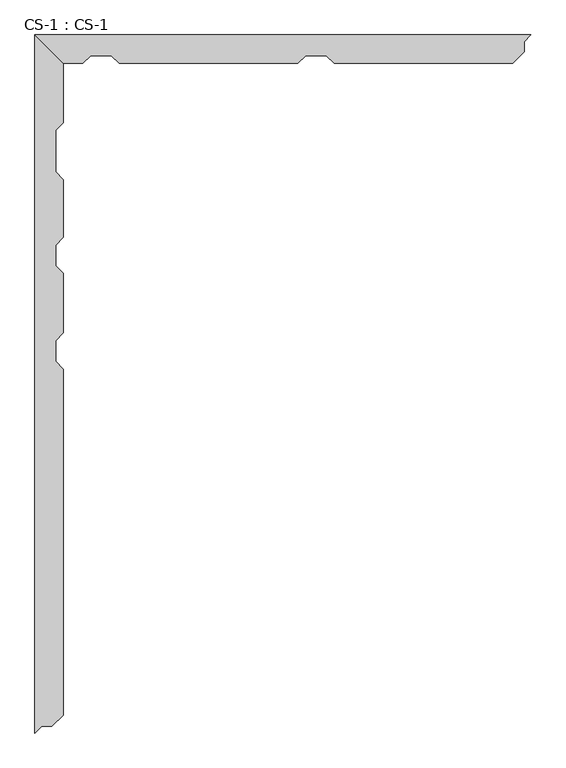
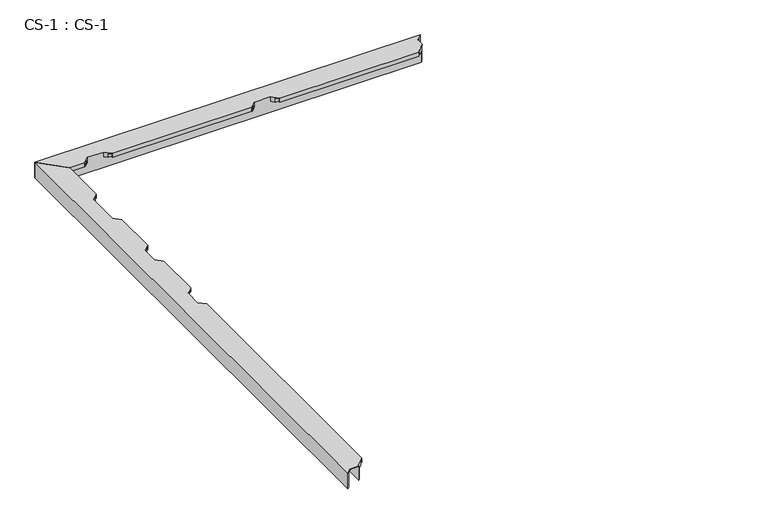
"""IFC4 building model written with IfcOpenShell, lengths in millimetres: proxy geometry, CS-1 : CS-1."""

from ifc_helpers import new_model, si_unit, origin, place, context, project, spatial, faceted_brep, source, transform, mapped, element, save


def cs_1_cs_1_2e0e3b06(model_context):
    return source(origin(), model_context, "Body", "Brep", [
        faceted_brep([(0.0, 2227.58, 0.0), (1582.4191059, 2227.58, 0.0), (1575.4341059, 2220.595, 0.0), (6.985, 2220.595, 0.0), (6.985, 2220.595, 63.5), (1575.4341059, 2220.595, 63.5), (59.055, 2168.525, 63.5), (1560.8291059, 2205.99, 63.5), (1560.8291059, 2174.24, 63.5), (1555.3084937, 2168.525, 63.5), (59.055, 2168.525, 0.0), (1555.3084937, 2168.525, 0.0), (1548.5610787, 2161.54, 0.0), (66.04, 2161.54, 0.0), (66.04, 2161.54, 46.355), (1548.5610787, 2161.54, 46.355), (929.6390043, 2161.54, 46.355), (929.6390043, 2161.54, 66.675), (863.5990043, 2161.54, 66.675), (863.5990043, 2161.54, 46.355), (243.8389027, 2161.54, 46.355), (243.8389027, 2161.54, 66.675), (177.7989027, 2161.54, 66.675), (177.7989027, 2161.54, 46.355), (78.867, 2148.713, 46.355), (164.9719027, 2148.713, 46.355), (1536.1703712, 2148.713, 46.355), (942.4660043, 2148.713, 46.355), (256.6659027, 2148.713, 46.355), (850.7720043, 2148.713, 46.355), (78.867, 2148.713, 63.5), (164.9719027, 2148.713, 63.5), (1536.1703712, 2148.713, 63.5), (942.4660043, 2148.713, 63.5), (256.6659027, 2148.713, 63.5), (850.7720043, 2148.713, 63.5), (89.154, 2138.426, 63.5), (154.6849027, 2138.426, 63.5), (1526.2332692, 2138.426, 63.5), (952.7530043, 2138.426, 63.5), (266.9529027, 2138.426, 63.5), (840.4850043, 2138.426, 63.5), (89.154, 2138.426, 49.8094), (154.6849027, 2138.426, 49.8094), (1526.2332692, 2138.426, 49.8094), (952.7530043, 2138.426, 49.8094), (266.9529027, 2138.426, 49.8094), (840.4850043, 2138.426, 49.8094), (90.678, 2136.902, 49.8094), (153.1609027, 2136.902, 49.8094), (1524.7611059, 2136.902, 49.8094), (954.2770043, 2136.902, 49.8094), (268.4769027, 2136.902, 49.8094), (838.9610043, 2136.902, 49.8094), (90.678, 2136.902, 66.675), (153.1609027, 2136.902, 66.675), (1524.7611059, 2136.902, 66.675), (954.2770043, 2136.902, 66.675), (268.4769027, 2136.902, 66.675), (838.9610043, 2136.902, 66.675), (1582.4191059, 2227.58, 66.675), (0.0, 2227.58, 66.675), (1560.8291059, 2174.24, 66.675), (1560.8291059, 2205.99, 66.675)], [[[0, 1, 2, 3]], [[4, 3, 2, 5]], [[6, 4, 5, 7, 8, 9]], [[10, 6, 9, 11]], [[12, 13, 10, 11]], [[14, 13, 12, 15, 16, 17, 18, 19, 20, 21, 22, 23]], [[24, 14, 23, 25]], [[15, 26, 27, 16]], [[28, 20, 19, 29]], [[30, 24, 25, 31]], [[26, 32, 33, 27]], [[34, 28, 29, 35]], [[36, 30, 31, 37]], [[32, 38, 39, 33]], [[40, 34, 35, 41]], [[42, 36, 37, 43]], [[38, 44, 45, 39]], [[46, 40, 41, 47]], [[48, 42, 43, 49]], [[44, 50, 51, 45]], [[52, 46, 47, 53]], [[54, 48, 49, 55]], [[50, 56, 57, 51]], [[58, 52, 53, 59]], [[60, 61, 54, 55, 22, 21, 58, 59, 18, 17, 57, 56, 62, 63]], [[1, 0, 61, 60]], [[0, 3, 4, 6, 10, 13, 14, 24, 30, 36, 42, 48, 54, 61]], [[7, 63, 62, 8]], [[8, 62, 56, 50, 44, 38, 32, 26, 15, 12, 11, 9]], [[63, 7, 5, 2, 1, 60]], [[21, 20, 28, 34, 40, 46, 52, 58]], [[23, 22, 55, 49, 43, 37, 31, 25]], [[17, 16, 27, 33, 39, 45, 51, 57]], [[19, 18, 59, 53, 47, 41, 35, 29]]]),
        faceted_brep([(0.0, 0.0, 0.0), (0.0, 2227.58, 0.0), (6.985, 2220.595, 0.0), (6.985, 6.985, 0.0), (6.985, 6.985, 63.5), (6.985, 2220.595, 63.5), (21.59, 21.59, 63.5), (59.055, 2168.525, 63.5), (59.055, 27.1106122, 63.5), (53.34, 21.59, 63.5), (59.055, 27.1106122, 0.0), (59.055, 2168.525, 0.0), (66.04, 2161.54, 0.0), (66.04, 33.8580272, 0.0), (66.04, 33.8580272, 46.355), (66.04, 2161.54, 46.355), (66.04, 1922.78, 46.355), (66.04, 1922.78, 66.675), (66.04, 1790.7, 66.675), (66.04, 1790.7, 46.355), (66.04, 1557.02, 46.355), (66.04, 1557.02, 66.675), (66.04, 1490.98, 66.675), (66.04, 1490.98, 46.355), (66.04, 1252.2200292, 46.355), (66.04, 1252.2200292, 66.675), (66.04, 1186.1800292, 66.675), (66.04, 1186.1800292, 46.355), (78.867, 46.2487347, 46.355), (78.867, 1173.3530292, 46.355), (78.867, 2148.713, 46.355), (78.867, 1935.607, 46.355), (78.867, 1265.0470292, 46.355), (78.867, 1478.153, 46.355), (78.867, 1569.847, 46.355), (78.867, 1777.873, 46.355), (78.867, 46.2487347, 63.5), (78.867, 1173.3530292, 63.5), (78.867, 2148.713, 63.5), (78.867, 1935.607, 63.5), (78.867, 1265.0470292, 63.5), (78.867, 1478.153, 63.5), (78.867, 1569.847, 63.5), (78.867, 1777.873, 63.5), (89.154, 56.1858367, 63.5), (89.154, 1163.0660292, 63.5), (89.154, 2138.426, 63.5), (89.154, 1945.894, 63.5), (89.154, 1275.3340292, 63.5), (89.154, 1467.866, 63.5), (89.154, 1580.134, 63.5), (89.154, 1767.586, 63.5), (89.154, 56.1858367, 49.8094), (89.154, 1163.0660292, 49.8094), (89.154, 2138.426, 49.8094), (89.154, 1945.894, 49.8094), (89.154, 1275.3340292, 49.8094), (89.154, 1467.866, 49.8094), (89.154, 1580.134, 49.8094), (89.154, 1767.586, 49.8094), (90.678, 57.658, 49.8094), (90.678, 1161.5420292, 49.8094), (90.678, 2136.902, 49.8094), (90.678, 1947.418, 49.8094), (90.678, 1276.8580292, 49.8094), (90.678, 1466.342, 49.8094), (90.678, 1581.658, 49.8094), (90.678, 1766.062, 49.8094), (90.678, 57.658, 66.675), (90.678, 1161.5420292, 66.675), (90.678, 2136.902, 66.675), (90.678, 1947.418, 66.675), (90.678, 1276.8580292, 66.675), (90.678, 1466.342, 66.675), (90.678, 1581.658, 66.675), (90.678, 1766.062, 66.675), (0.0, 2227.58, 66.675), (0.0, 0.0, 66.675), (21.59, 21.59, 66.675), (53.34, 21.59, 66.675)], [[[0, 1, 2, 3]], [[4, 3, 2, 5]], [[6, 4, 5, 7, 8, 9]], [[10, 8, 7, 11]], [[12, 13, 10, 11]], [[14, 13, 12, 15, 16, 17, 18, 19, 20, 21, 22, 23, 24, 25, 26, 27]], [[28, 14, 27, 29]], [[15, 30, 31, 16]], [[32, 24, 23, 33]], [[34, 20, 19, 35]], [[36, 28, 29, 37]], [[30, 38, 39, 31]], [[40, 32, 33, 41]], [[42, 34, 35, 43]], [[44, 36, 37, 45]], [[38, 46, 47, 39]], [[48, 40, 41, 49]], [[50, 42, 43, 51]], [[52, 44, 45, 53]], [[46, 54, 55, 47]], [[56, 48, 49, 57]], [[58, 50, 51, 59]], [[60, 52, 53, 61]], [[54, 62, 63, 55]], [[64, 56, 57, 65]], [[66, 58, 59, 67]], [[68, 60, 61, 69]], [[62, 70, 71, 63]], [[72, 64, 65, 73]], [[74, 66, 67, 75]], [[76, 77, 78, 79, 68, 69, 26, 25, 72, 73, 22, 21, 74, 75, 18, 17, 71, 70]], [[1, 0, 77, 76]], [[6, 78, 77, 0, 3, 4]], [[79, 9, 8, 10, 13, 14, 28, 36, 44, 52, 60, 68]], [[78, 6, 9, 79]], [[2, 1, 76, 70, 62, 54, 46, 38, 30, 15, 12, 11, 7, 5]], [[25, 24, 32, 40, 48, 56, 64, 72]], [[27, 26, 69, 61, 53, 45, 37, 29]], [[21, 20, 34, 42, 50, 58, 66, 74]], [[23, 22, 73, 65, 57, 49, 41, 33]], [[19, 18, 75, 67, 59, 51, 43, 35]], [[17, 16, 31, 39, 47, 55, 63, 71]]]),
    ])


if __name__ == "__main__":
    model = new_model("IFC4")
    model_context = context("Model", 3, world=origin())
    ifc_project = project(units=[si_unit("LENGTHUNIT", "METRE", prefix="MILLI")], contexts=[model_context])
    site = spatial("IfcSite", under=ifc_project)
    building = spatial("IfcBuilding", under=site)
    placement = place(None, origin())
    cs_1_cs_1_shape = cs_1_cs_1_2e0e3b06(model_context)
    element("IfcBuildingElementProxy", 1, Name="CS-1 : CS-1", ObjectType="CS-1 : CS-1", at=placement, inside=building, context=model_context, shape_type="MappedRepresentation", body=[
        mapped(cs_1_cs_1_shape, transform((0.0, 0.0, 0.0), x_axis=(1.0, 0.0, 0.0), y_axis=(0.0, 1.0, 0.0), z_axis=(0.0, 0.0, 1.0))),
    ])
    save(model, "model.ifc")
